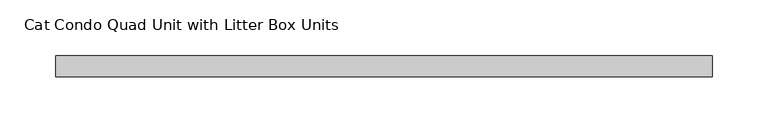
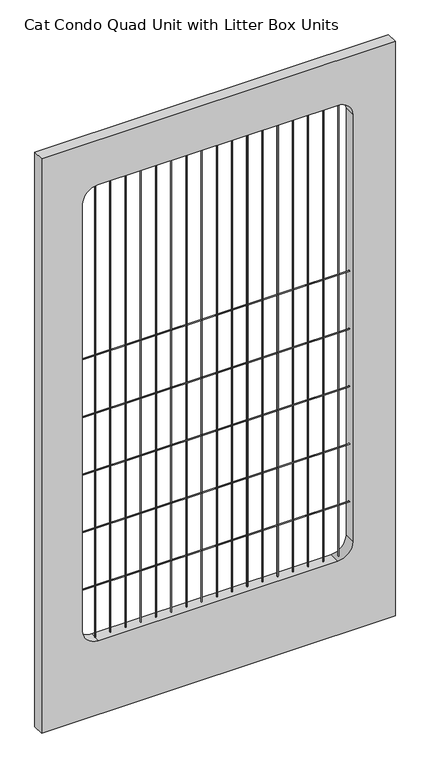
"""IFC4 building model written with IfcOpenShell, lengths in millimetres: proxy geometry, Cat Condo Quad Unit with Litter Box Units."""

import ifcopenshell
import ifcopenshell.guid

model = None  # the IFC model being written
_history = None  # IfcOwnerHistory: only IFC2X3 demands one
_inside = {}  # id of a spatial element -> (the spatial element, [elements in it])
_under = {}  # id of a project, library or spatial element -> (it, [spatial elements below it])
_declared = {}  # id of a project -> (the project, [libraries it declares])
_typed = {}  # id of a type object -> (the type object, [elements of that type])
_made_of = {}  # id of a material, layer set ... -> (it, [elements and type objects made of it])


def new_model(schema):
    """Start an empty IFC model of exactly this schema.

    Asked for "IFC4X3", IfcOpenShell would pick the latest addendum, in which some entities
    have other attributes; the version numbers below select the first issue.
    IFC2X3 requires an IfcOwnerHistory on every rooted entity: one is made here for all.
    """
    global model, _history
    if schema == "IFC4X3":
        model = ifcopenshell.file(schema_version=(4, 3, 0, 0))
    else:
        model = ifcopenshell.file(schema=schema)
    _inside.clear()
    _under.clear()
    _declared.clear()
    _typed.clear()
    _made_of.clear()
    _history = None
    if model.schema == "IFC2X3":
        org = make("IfcOrganization", Name="unknown")
        user = make(
            "IfcPersonAndOrganization",
            ThePerson=make("IfcPerson", FamilyName="unknown"),
            TheOrganization=org,
        )
        app = make(
            "IfcApplication",
            ApplicationDeveloper=org,
            Version="unknown",
            ApplicationFullName="unknown",
            ApplicationIdentifier="unknown",
        )
        _history = make(
            "IfcOwnerHistory",
            OwningUser=user,
            OwningApplication=app,
            ChangeAction="ADDED",
            CreationDate=0,
        )
    return model


def make(cls, **values):
    """One entity of the class cls with the attributes given. An attribute that is None is left unset."""
    return model.create_entity(
        cls, **{name: value for name, value in values.items() if value is not None}
    )


def rooted(cls, **values):
    """An entity with a GlobalId (a new one), such as an element, a storey or a relation."""
    return make(cls, GlobalId=ifcopenshell.guid.new(), OwnerHistory=_history, **values)


def si_unit(unit_type, name, prefix=None):
    """IfcSIUnit, for example si_unit("LENGTHUNIT", "METRE", prefix="MILLI")."""
    return make("IfcSIUnit", UnitType=unit_type, Prefix=prefix, Name=name)


def assignment(units):
    """IfcUnitAssignment: the units of a project."""
    return None if units is None else make("IfcUnitAssignment", Units=units)


def point(xyz):
    """IfcCartesianPoint."""
    return None if xyz is None else make("IfcCartesianPoint", Coordinates=xyz)


def direction(xyz):
    """IfcDirection."""
    return None if xyz is None else make("IfcDirection", DirectionRatios=xyz)


def frame(location, z_axis=None, x_axis=None):
    """IfcAxis2Placement3D, a coordinate frame: its origin and axes. An axis left out is left unset."""
    return make(
        "IfcAxis2Placement3D",
        Location=point(location),
        Axis=direction(z_axis),
        RefDirection=direction(x_axis),
    )


def frame_2d(location, x_axis=None):
    """IfcAxis2Placement2D, a coordinate frame in the plane: its origin and x axis."""
    return make(
        "IfcAxis2Placement2D", Location=point(location), RefDirection=direction(x_axis)
    )


def origin():
    """The frame at (0, 0, 0) with its axes left unset."""
    return frame((0.0, 0.0, 0.0))


def place(relative_to, where):
    """IfcLocalPlacement: puts the frame where relative to a parent placement (None: the world)."""
    return make(
        "IfcLocalPlacement", PlacementRelTo=relative_to, RelativePlacement=where
    )


def context(
    kind, dimensions, precision=None, world=None, true_north=None, identifier=None
):
    """IfcGeometricRepresentationContext, for example the 3D "Model" context."""
    return make(
        "IfcGeometricRepresentationContext",
        ContextIdentifier=identifier,
        ContextType=kind,
        CoordinateSpaceDimension=dimensions,
        Precision=precision,
        WorldCoordinateSystem=world,
        TrueNorth=true_north,
    )


def project(units=None, contexts=None):
    """IfcProject with its units and contexts."""
    return rooted(
        "IfcProject",
        Name="project",
        RepresentationContexts=contexts,
        UnitsInContext=assignment(units),
    )


def spatial(cls, under=None, at=None, **own):
    """A site, building, storey or space (cls), placed at a placement, below another one or the project."""
    s = rooted(cls, ObjectPlacement=at, **own)
    if under is not None:
        _under.setdefault(under.id(), (under, []))[1].append(s)
    return s


def polyline(points):
    """IfcPolyline through the points."""
    return make("IfcPolyline", Points=[point(p) for p in points])


def circle_curve(where, radius):
    """IfcCircle in the frame where."""
    return make("IfcCircle", Position=where, Radius=radius)


def trimmed(basis, trim1, trim2, sense, master):
    """IfcTrimmedCurve: the piece of a basis curve between two trims."""
    return make(
        "IfcTrimmedCurve",
        BasisCurve=basis,
        Trim1=trim1,
        Trim2=trim2,
        SenseAgreement=sense,
        MasterRepresentation=master,
    )


def segment(curve, same_sense, transition):
    """IfcCompositeCurveSegment."""
    return make(
        "IfcCompositeCurveSegment",
        Transition=transition,
        SameSense=same_sense,
        ParentCurve=curve,
    )


def composite_curve(segments, self_intersect=None):
    """IfcCompositeCurve: segments joined end to end."""
    return make("IfcCompositeCurve", Segments=segments, SelfIntersect=self_intersect)


def outline(outer, holes=None, kind="AREA"):
    """IfcArbitraryClosedProfileDef: a profile drawn as a closed curve; with holes, ...WithVoids."""
    if holes is None:
        return make("IfcArbitraryClosedProfileDef", ProfileType=kind, OuterCurve=outer)
    return make(
        "IfcArbitraryProfileDefWithVoids",
        ProfileType=kind,
        OuterCurve=outer,
        InnerCurves=holes,
    )


def extrude(swept, where, along, depth):
    """IfcExtrudedAreaSolid: the profile swept, set in the frame where, extruded along a direction by depth."""
    return make(
        "IfcExtrudedAreaSolid",
        SweptArea=swept,
        Position=where,
        ExtrudedDirection=direction(along),
        Depth=depth,
    )


def shape(context_of_items, identifier, shape_type, items):
    """IfcShapeRepresentation: the items that make up one representation, for example the "Body"."""
    return make(
        "IfcShapeRepresentation",
        ContextOfItems=context_of_items,
        RepresentationIdentifier=identifier,
        RepresentationType=shape_type,
        Items=items,
    )


def source(mapping_origin, context_of_items, identifier, shape_type, items):
    """IfcRepresentationMap: a shape defined once, which mapped items show again and again."""
    return make(
        "IfcRepresentationMap",
        MappingOrigin=mapping_origin,
        MappedRepresentation=shape(context_of_items, identifier, shape_type, items),
    )


def transform(
    local_origin,
    x_axis=None,
    y_axis=None,
    z_axis=None,
    scale=None,
    scale2=None,
    scale3=None,
    uniform=True,
):
    """IfcCartesianTransformationOperator3D, or its non-uniform kind. x_axis, y_axis, z_axis: its Axis1, 2, 3."""
    if uniform:
        return make(
            "IfcCartesianTransformationOperator3D",
            Axis1=direction(x_axis),
            Axis2=direction(y_axis),
            LocalOrigin=point(local_origin),
            Scale=scale,
            Axis3=direction(z_axis),
        )
    return make(
        "IfcCartesianTransformationOperator3DnonUniform",
        Axis1=direction(x_axis),
        Axis2=direction(y_axis),
        LocalOrigin=point(local_origin),
        Scale=scale,
        Axis3=direction(z_axis),
        Scale2=scale2,
        Scale3=scale3,
    )


def mapped(mapping_source, mapping_target):
    """IfcMappedItem: shows the shape of a source again, moved by a transform."""
    return make(
        "IfcMappedItem", MappingSource=mapping_source, MappingTarget=mapping_target
    )


def made_of(thing, what):
    """Note that an element or type object is made of a material, layer set ...; save() writes the relation."""
    if what is not None:
        _made_of.setdefault(what.id(), (what, []))[1].append(thing)
    return thing


def element(
    cls,
    number,
    at=None,
    inside=None,
    cuts=None,
    type_object=None,
    material=None,
    context=None,
    identifier="Body",
    shape_type=None,
    held_by="IfcProductDefinitionShape",
    body=None,
    shapes=None,
    **own,
):
    """One element of the class cls, such as IfcWall. Its Tag is "e" and its number.

    at: its placement. inside: the storey or other place that contains it. cuts: it is an
    opening in that element (IfcRelVoidsElement). A single representation is given by context,
    identifier, shape_type and body (its items); several are given by shapes. held_by: the class
    of the entity that holds the representations. save() writes the other relations.
    """
    e = rooted(cls, Tag="e%d" % number, ObjectPlacement=at, **own)
    if body is not None:
        shapes = [shape(context, identifier, shape_type, body)]
    if shapes is not None:
        e.Representation = make(held_by, Representations=shapes)
    if inside is not None:
        _inside.setdefault(inside.id(), (inside, []))[1].append(e)
    if cuts is not None:
        rooted(
            "IfcRelVoidsElement", RelatingBuildingElement=cuts, RelatedOpeningElement=e
        )
    if type_object is not None:
        _typed.setdefault(type_object.id(), (type_object, []))[1].append(e)
    return made_of(e, material)


def aggregate(whole, parts):
    """IfcRelAggregates: a whole, such as a stair, and the parts it consists of."""
    return rooted("IfcRelAggregates", RelatingObject=whole, RelatedObjects=parts)


def save(model, path):
    """Write the relations noted so far, then the file.

    IfcRelAggregates (storeys below a building ...), IfcRelContainedInSpatialStructure (elements
    in a storey), IfcRelDefinesByType, IfcRelAssociatesMaterial and IfcRelDeclares: one each for
    every whole, place, type object, material and project.
    """
    for whole, parts in _under.values():
        aggregate(whole, parts)
    for where, things in _inside.values():
        rooted(
            "IfcRelContainedInSpatialStructure",
            RelatedElements=things,
            RelatingStructure=where,
        )
    for kind, things in _typed.values():
        rooted("IfcRelDefinesByType", RelatedObjects=things, RelatingType=kind)
    for what, things in _made_of.values():
        rooted("IfcRelAssociatesMaterial", RelatedObjects=things, RelatingMaterial=what)
    for by, libraries in _declared.values():
        rooted("IfcRelDeclares", RelatingContext=by, RelatedDefinitions=libraries)
    model.write(path)


def cat_condo_quad_unit_with_litter_box_units_ca48e081(model_context):
    return source(origin(), model_context, "Body", "SweptSolid", [
        extrude(outline(composite_curve([segment(trimmed(circle_curve(frame_2d((9.6602248, 1741.4875)), 0.79375), [point((9.6602248, 1742.28125))], [point((9.6602248, 1740.69375))], False, "CARTESIAN"), True, "CONTINUOUS"), segment(trimmed(circle_curve(frame_2d((9.6602248, 1741.4875)), 0.79375), [point((9.6602248, 1740.69375))], [point((9.6602248, 1742.28125))], False, "CARTESIAN"), True, "CONTINUOUS")], self_intersect=False)), frame((78.58125, 0.0, 0.0), z_axis=(1.0, 0.0, 0.0), x_axis=(0.0, 1.0, 0.0)), (0.0, 0.0, 1.0), 450.85),
        extrude(outline(composite_curve([segment(trimmed(circle_curve(frame_2d((9.6602248, 1639.8875)), 0.79375), [point((9.6602248, 1640.68125))], [point((9.6602248, 1639.09375))], False, "CARTESIAN"), True, "CONTINUOUS"), segment(trimmed(circle_curve(frame_2d((9.6602248, 1639.8875)), 0.79375), [point((9.6602248, 1639.09375))], [point((9.6602248, 1640.68125))], False, "CARTESIAN"), True, "CONTINUOUS")], self_intersect=False)), frame((78.58125, 0.0, 0.0), z_axis=(1.0, 0.0, 0.0), x_axis=(0.0, 1.0, 0.0)), (0.0, 0.0, 1.0), 450.85),
        extrude(outline(composite_curve([segment(trimmed(circle_curve(frame_2d((9.6602248, 1538.2875)), 0.79375), [point((9.6602248, 1539.08125))], [point((9.6602248, 1537.49375))], False, "CARTESIAN"), True, "CONTINUOUS"), segment(trimmed(circle_curve(frame_2d((9.6602248, 1538.2875)), 0.79375), [point((9.6602248, 1537.49375))], [point((9.6602248, 1539.08125))], False, "CARTESIAN"), True, "CONTINUOUS")], self_intersect=False)), frame((78.58125, 0.0, 0.0), z_axis=(1.0, 0.0, 0.0), x_axis=(0.0, 1.0, 0.0)), (0.0, 0.0, 1.0), 450.85),
        extrude(outline(composite_curve([segment(trimmed(circle_curve(frame_2d((9.6602248, 1436.6875)), 0.79375), [point((9.6602248, 1437.48125))], [point((9.6602248, 1435.89375))], False, "CARTESIAN"), True, "CONTINUOUS"), segment(trimmed(circle_curve(frame_2d((9.6602248, 1436.6875)), 0.79375), [point((9.6602248, 1435.89375))], [point((9.6602248, 1437.48125))], False, "CARTESIAN"), True, "CONTINUOUS")], self_intersect=False)), frame((78.58125, 0.0, 0.0), z_axis=(1.0, 0.0, 0.0), x_axis=(0.0, 1.0, 0.0)), (0.0, 0.0, 1.0), 450.85),
        extrude(outline(composite_curve([segment(trimmed(circle_curve(frame_2d((9.6602248, 1335.0875)), 0.79375), [point((9.6602248, 1335.88125))], [point((9.6602248, 1334.29375))], False, "CARTESIAN"), True, "CONTINUOUS"), segment(trimmed(circle_curve(frame_2d((9.6602248, 1335.0875)), 0.79375), [point((9.6602248, 1334.29375))], [point((9.6602248, 1335.88125))], False, "CARTESIAN"), True, "CONTINUOUS")], self_intersect=False)), frame((78.58125, 0.0, 0.0), z_axis=(1.0, 0.0, 0.0), x_axis=(0.0, 1.0, 0.0)), (0.0, 0.0, 1.0), 450.85),
        extrude(outline(composite_curve([segment(trimmed(circle_curve(frame_2d((511.0919665, 9.6602248)), 0.79375), [point((510.2982165, 9.6602248))], [point((511.8857165, 9.6602248))], False, "CARTESIAN"), True, "CONTINUOUS"), segment(trimmed(circle_curve(frame_2d((511.0919665, 9.6602248)), 0.79375), [point((511.8857165, 9.6602248))], [point((510.2982165, 9.6602248))], False, "CARTESIAN"), True, "CONTINUOUS")], self_intersect=False)), frame((0.0, 0.0, 1244.6), z_axis=(0.0, 0.0, 1.0), x_axis=(1.0, 0.0, 0.0)), (0.0, 0.0, 1.0), 803.275),
        extrude(outline(composite_curve([segment(trimmed(circle_curve(frame_2d((485.6919665, 9.6602248)), 0.79375), [point((484.8982165, 9.6602248))], [point((486.4857165, 9.6602248))], False, "CARTESIAN"), True, "CONTINUOUS"), segment(trimmed(circle_curve(frame_2d((485.6919665, 9.6602248)), 0.79375), [point((486.4857165, 9.6602248))], [point((484.8982165, 9.6602248))], False, "CARTESIAN"), True, "CONTINUOUS")], self_intersect=False)), frame((0.0, 0.0, 1244.6), z_axis=(0.0, 0.0, 1.0), x_axis=(1.0, 0.0, 0.0)), (0.0, 0.0, 1.0), 803.275),
        extrude(outline(composite_curve([segment(trimmed(circle_curve(frame_2d((460.2919665, 9.6602248)), 0.79375), [point((459.4982165, 9.6602248))], [point((461.0857165, 9.6602248))], False, "CARTESIAN"), True, "CONTINUOUS"), segment(trimmed(circle_curve(frame_2d((460.2919665, 9.6602248)), 0.79375), [point((461.0857165, 9.6602248))], [point((459.4982165, 9.6602248))], False, "CARTESIAN"), True, "CONTINUOUS")], self_intersect=False)), frame((0.0, 0.0, 1244.6), z_axis=(0.0, 0.0, 1.0), x_axis=(1.0, 0.0, 0.0)), (0.0, 0.0, 1.0), 803.275),
        extrude(outline(composite_curve([segment(trimmed(circle_curve(frame_2d((434.8919665, 9.6602248)), 0.79375), [point((434.0982165, 9.6602248))], [point((435.6857165, 9.6602248))], False, "CARTESIAN"), True, "CONTINUOUS"), segment(trimmed(circle_curve(frame_2d((434.8919665, 9.6602248)), 0.79375), [point((435.6857165, 9.6602248))], [point((434.0982165, 9.6602248))], False, "CARTESIAN"), True, "CONTINUOUS")], self_intersect=False)), frame((0.0, 0.0, 1244.6), z_axis=(0.0, 0.0, 1.0), x_axis=(1.0, 0.0, 0.0)), (0.0, 0.0, 1.0), 803.275),
        extrude(outline(composite_curve([segment(trimmed(circle_curve(frame_2d((409.4919665, 9.6602248)), 0.79375), [point((408.6982165, 9.6602248))], [point((410.2857165, 9.6602248))], False, "CARTESIAN"), True, "CONTINUOUS"), segment(trimmed(circle_curve(frame_2d((409.4919665, 9.6602248)), 0.79375), [point((410.2857165, 9.6602248))], [point((408.6982165, 9.6602248))], False, "CARTESIAN"), True, "CONTINUOUS")], self_intersect=False)), frame((0.0, 0.0, 1244.6), z_axis=(0.0, 0.0, 1.0), x_axis=(1.0, 0.0, 0.0)), (0.0, 0.0, 1.0), 803.275),
        extrude(outline(composite_curve([segment(trimmed(circle_curve(frame_2d((384.0919665, 9.6602248)), 0.79375), [point((383.2982165, 9.6602248))], [point((384.8857165, 9.6602248))], False, "CARTESIAN"), True, "CONTINUOUS"), segment(trimmed(circle_curve(frame_2d((384.0919665, 9.6602248)), 0.79375), [point((384.8857165, 9.6602248))], [point((383.2982165, 9.6602248))], False, "CARTESIAN"), True, "CONTINUOUS")], self_intersect=False)), frame((0.0, 0.0, 1244.6), z_axis=(0.0, 0.0, 1.0), x_axis=(1.0, 0.0, 0.0)), (0.0, 0.0, 1.0), 803.275),
        extrude(outline(composite_curve([segment(trimmed(circle_curve(frame_2d((358.6919665, 9.6602248)), 0.79375), [point((357.8982165, 9.6602248))], [point((359.4857165, 9.6602248))], False, "CARTESIAN"), True, "CONTINUOUS"), segment(trimmed(circle_curve(frame_2d((358.6919665, 9.6602248)), 0.79375), [point((359.4857165, 9.6602248))], [point((357.8982165, 9.6602248))], False, "CARTESIAN"), True, "CONTINUOUS")], self_intersect=False)), frame((0.0, 0.0, 1244.6), z_axis=(0.0, 0.0, 1.0), x_axis=(1.0, 0.0, 0.0)), (0.0, 0.0, 1.0), 803.275),
        extrude(outline(composite_curve([segment(trimmed(circle_curve(frame_2d((333.2919665, 9.6602248)), 0.79375), [point((332.4982165, 9.6602248))], [point((334.0857165, 9.6602248))], False, "CARTESIAN"), True, "CONTINUOUS"), segment(trimmed(circle_curve(frame_2d((333.2919665, 9.6602248)), 0.79375), [point((334.0857165, 9.6602248))], [point((332.4982165, 9.6602248))], False, "CARTESIAN"), True, "CONTINUOUS")], self_intersect=False)), frame((0.0, 0.0, 1244.6), z_axis=(0.0, 0.0, 1.0), x_axis=(1.0, 0.0, 0.0)), (0.0, 0.0, 1.0), 803.275),
        extrude(outline(composite_curve([segment(trimmed(circle_curve(frame_2d((307.8919665, 9.6602248)), 0.79375), [point((307.0982165, 9.6602248))], [point((308.6857165, 9.6602248))], False, "CARTESIAN"), True, "CONTINUOUS"), segment(trimmed(circle_curve(frame_2d((307.8919665, 9.6602248)), 0.79375), [point((308.6857165, 9.6602248))], [point((307.0982165, 9.6602248))], False, "CARTESIAN"), True, "CONTINUOUS")], self_intersect=False)), frame((0.0, 0.0, 1244.6), z_axis=(0.0, 0.0, 1.0), x_axis=(1.0, 0.0, 0.0)), (0.0, 0.0, 1.0), 803.275),
        extrude(outline(composite_curve([segment(trimmed(circle_curve(frame_2d((282.4919665, 9.6602248)), 0.79375), [point((281.6982165, 9.6602248))], [point((283.2857165, 9.6602248))], False, "CARTESIAN"), True, "CONTINUOUS"), segment(trimmed(circle_curve(frame_2d((282.4919665, 9.6602248)), 0.79375), [point((283.2857165, 9.6602248))], [point((281.6982165, 9.6602248))], False, "CARTESIAN"), True, "CONTINUOUS")], self_intersect=False)), frame((0.0, 0.0, 1244.6), z_axis=(0.0, 0.0, 1.0), x_axis=(1.0, 0.0, 0.0)), (0.0, 0.0, 1.0), 803.275),
        extrude(outline(composite_curve([segment(trimmed(circle_curve(frame_2d((257.0919665, 9.6602248)), 0.79375), [point((256.2982165, 9.6602248))], [point((257.8857165, 9.6602248))], False, "CARTESIAN"), True, "CONTINUOUS"), segment(trimmed(circle_curve(frame_2d((257.0919665, 9.6602248)), 0.79375), [point((257.8857165, 9.6602248))], [point((256.2982165, 9.6602248))], False, "CARTESIAN"), True, "CONTINUOUS")], self_intersect=False)), frame((0.0, 0.0, 1244.6), z_axis=(0.0, 0.0, 1.0), x_axis=(1.0, 0.0, 0.0)), (0.0, 0.0, 1.0), 803.275),
        extrude(outline(composite_curve([segment(trimmed(circle_curve(frame_2d((231.6919665, 9.6602248)), 0.79375), [point((230.8982165, 9.6602248))], [point((232.4857165, 9.6602248))], False, "CARTESIAN"), True, "CONTINUOUS"), segment(trimmed(circle_curve(frame_2d((231.6919665, 9.6602248)), 0.79375), [point((232.4857165, 9.6602248))], [point((230.8982165, 9.6602248))], False, "CARTESIAN"), True, "CONTINUOUS")], self_intersect=False)), frame((0.0, 0.0, 1244.6), z_axis=(0.0, 0.0, 1.0), x_axis=(1.0, 0.0, 0.0)), (0.0, 0.0, 1.0), 803.275),
        extrude(outline(composite_curve([segment(trimmed(circle_curve(frame_2d((206.2919665, 9.6602248)), 0.79375), [point((205.4982165, 9.6602248))], [point((207.0857165, 9.6602248))], False, "CARTESIAN"), True, "CONTINUOUS"), segment(trimmed(circle_curve(frame_2d((206.2919665, 9.6602248)), 0.79375), [point((207.0857165, 9.6602248))], [point((205.4982165, 9.6602248))], False, "CARTESIAN"), True, "CONTINUOUS")], self_intersect=False)), frame((0.0, 0.0, 1244.6), z_axis=(0.0, 0.0, 1.0), x_axis=(1.0, 0.0, 0.0)), (0.0, 0.0, 1.0), 803.275),
        extrude(outline(composite_curve([segment(trimmed(circle_curve(frame_2d((180.8919665, 9.6602248)), 0.79375), [point((180.0982165, 9.6602248))], [point((181.6857165, 9.6602248))], False, "CARTESIAN"), True, "CONTINUOUS"), segment(trimmed(circle_curve(frame_2d((180.8919665, 9.6602248)), 0.79375), [point((181.6857165, 9.6602248))], [point((180.0982165, 9.6602248))], False, "CARTESIAN"), True, "CONTINUOUS")], self_intersect=False)), frame((0.0, 0.0, 1244.6), z_axis=(0.0, 0.0, 1.0), x_axis=(1.0, 0.0, 0.0)), (0.0, 0.0, 1.0), 803.275),
        extrude(outline(composite_curve([segment(trimmed(circle_curve(frame_2d((155.4919665, 9.6602248)), 0.79375), [point((154.6982165, 9.6602248))], [point((156.2857165, 9.6602248))], False, "CARTESIAN"), True, "CONTINUOUS"), segment(trimmed(circle_curve(frame_2d((155.4919665, 9.6602248)), 0.79375), [point((156.2857165, 9.6602248))], [point((154.6982165, 9.6602248))], False, "CARTESIAN"), True, "CONTINUOUS")], self_intersect=False)), frame((0.0, 0.0, 1244.6), z_axis=(0.0, 0.0, 1.0), x_axis=(1.0, 0.0, 0.0)), (0.0, 0.0, 1.0), 803.275),
        extrude(outline(composite_curve([segment(trimmed(circle_curve(frame_2d((130.0919665, 9.6602248)), 0.79375), [point((129.2982165, 9.6602248))], [point((130.8857165, 9.6602248))], False, "CARTESIAN"), True, "CONTINUOUS"), segment(trimmed(circle_curve(frame_2d((130.0919665, 9.6602248)), 0.79375), [point((130.8857165, 9.6602248))], [point((129.2982165, 9.6602248))], False, "CARTESIAN"), True, "CONTINUOUS")], self_intersect=False)), frame((0.0, 0.0, 1244.6), z_axis=(0.0, 0.0, 1.0), x_axis=(1.0, 0.0, 0.0)), (0.0, 0.0, 1.0), 803.275),
        extrude(outline(composite_curve([segment(trimmed(circle_curve(frame_2d((104.6919665, 9.6602248)), 0.79375), [point((103.8982165, 9.6602248))], [point((105.4857165, 9.6602248))], False, "CARTESIAN"), True, "CONTINUOUS"), segment(trimmed(circle_curve(frame_2d((104.6919665, 9.6602248)), 0.79375), [point((105.4857165, 9.6602248))], [point((103.8982165, 9.6602248))], False, "CARTESIAN"), True, "CONTINUOUS")], self_intersect=False)), frame((0.0, 0.0, 1244.6), z_axis=(0.0, 0.0, 1.0), x_axis=(1.0, 0.0, 0.0)), (0.0, 0.0, 1.0), 803.275),
        extrude(outline(polyline([(2127.25, 9.525), (1114.425, 9.525), (1114.425, 600.075), (2127.25, 600.075), (2127.25, 9.525)]), holes=[composite_curve([segment(trimmed(circle_curve(frame_2d((2022.475, 504.03125)), 25.4), [point((2047.875, 504.03125))], [point((2022.475, 529.43125))], True, "CARTESIAN"), True, "CONTINUOUS"), segment(polyline([(2022.475, 529.43125), (1270.0, 529.43125)]), True, "CONTINUOUS"), segment(trimmed(circle_curve(frame_2d((1270.0, 504.03125)), 25.4), [point((1270.0, 529.43125))], [point((1244.6, 504.03125))], True, "CARTESIAN"), True, "CONTINUOUS"), segment(polyline([(1244.6, 504.03125), (1244.6, 103.98125)]), True, "CONTINUOUS"), segment(trimmed(circle_curve(frame_2d((1270.0, 103.98125)), 25.4), [point((1244.6, 103.98125))], [point((1270.0, 78.58125))], True, "CARTESIAN"), True, "CONTINUOUS"), segment(polyline([(1270.0, 78.58125), (2022.475, 78.58125)]), True, "CONTINUOUS"), segment(trimmed(circle_curve(frame_2d((2022.475, 103.98125)), 25.4), [point((2022.475, 78.58125))], [point((2047.875, 103.98125))], True, "CARTESIAN"), True, "CONTINUOUS"), segment(polyline([(2047.875, 103.98125), (2047.875, 504.03125)]), True, "CONTINUOUS")], self_intersect=False)]), frame((0.0, 0.0, 0.0), z_axis=(0.0, 1.0, 0.0), x_axis=(0.0, 0.0, 1.0)), (0.0, 0.0, 1.0), 19.05),
    ])


if __name__ == "__main__":
    model = new_model("IFC4")
    model_context = context("Model", 3, world=origin())
    ifc_project = project(units=[si_unit("LENGTHUNIT", "METRE", prefix="MILLI")], contexts=[model_context])
    site = spatial("IfcSite", under=ifc_project)
    building = spatial("IfcBuilding", under=site)
    placement = place(None, origin())
    cat_condo_quad_unit_with_litter_box_units_shape = cat_condo_quad_unit_with_litter_box_units_ca48e081(model_context)
    element("IfcBuildingElementProxy", 1, Name="Cat Condo Quad Unit with Litter Box Units", ObjectType="Cat Condo Quad Unit with Litter Box Units", at=placement, inside=building, context=model_context, shape_type="MappedRepresentation", body=[
        mapped(cat_condo_quad_unit_with_litter_box_units_shape, transform((0.0, 0.0, 0.0), x_axis=(1.0, 0.0, 0.0), y_axis=(0.0, 1.0, 0.0), z_axis=(0.0, 0.0, 1.0))),
    ])
    save(model, "model.ifc")
